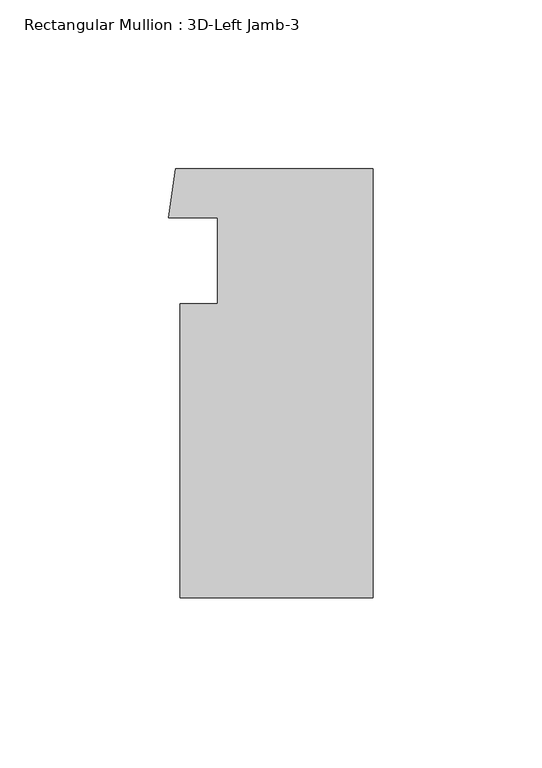
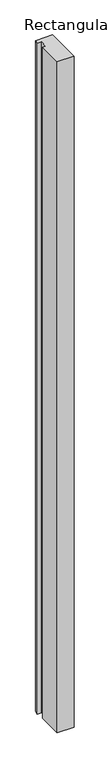
"""IFC4 building model written with IfcOpenShell, lengths in millimetres: member geometry, Rectangular Mullion : 3D-Left Jamb-3."""

import ifcopenshell
import ifcopenshell.guid

model = None  # the IFC model being written
_history = None  # IfcOwnerHistory: only IFC2X3 demands one
_inside = {}  # id of a spatial element -> (the spatial element, [elements in it])
_under = {}  # id of a project, library or spatial element -> (it, [spatial elements below it])
_declared = {}  # id of a project -> (the project, [libraries it declares])
_typed = {}  # id of a type object -> (the type object, [elements of that type])
_made_of = {}  # id of a material, layer set ... -> (it, [elements and type objects made of it])


def new_model(schema):
    """Start an empty IFC model of exactly this schema.

    Asked for "IFC4X3", IfcOpenShell would pick the latest addendum, in which some entities
    have other attributes; the version numbers below select the first issue.
    IFC2X3 requires an IfcOwnerHistory on every rooted entity: one is made here for all.
    """
    global model, _history
    if schema == "IFC4X3":
        model = ifcopenshell.file(schema_version=(4, 3, 0, 0))
    else:
        model = ifcopenshell.file(schema=schema)
    _inside.clear()
    _under.clear()
    _declared.clear()
    _typed.clear()
    _made_of.clear()
    _history = None
    if model.schema == "IFC2X3":
        org = make("IfcOrganization", Name="unknown")
        user = make(
            "IfcPersonAndOrganization",
            ThePerson=make("IfcPerson", FamilyName="unknown"),
            TheOrganization=org,
        )
        app = make(
            "IfcApplication",
            ApplicationDeveloper=org,
            Version="unknown",
            ApplicationFullName="unknown",
            ApplicationIdentifier="unknown",
        )
        _history = make(
            "IfcOwnerHistory",
            OwningUser=user,
            OwningApplication=app,
            ChangeAction="ADDED",
            CreationDate=0,
        )
    return model


def make(cls, **values):
    """One entity of the class cls with the attributes given. An attribute that is None is left unset."""
    return model.create_entity(
        cls, **{name: value for name, value in values.items() if value is not None}
    )


def rooted(cls, **values):
    """An entity with a GlobalId (a new one), such as an element, a storey or a relation."""
    return make(cls, GlobalId=ifcopenshell.guid.new(), OwnerHistory=_history, **values)


def si_unit(unit_type, name, prefix=None):
    """IfcSIUnit, for example si_unit("LENGTHUNIT", "METRE", prefix="MILLI")."""
    return make("IfcSIUnit", UnitType=unit_type, Prefix=prefix, Name=name)


def assignment(units):
    """IfcUnitAssignment: the units of a project."""
    return None if units is None else make("IfcUnitAssignment", Units=units)


def point(xyz):
    """IfcCartesianPoint."""
    return None if xyz is None else make("IfcCartesianPoint", Coordinates=xyz)


def direction(xyz):
    """IfcDirection."""
    return None if xyz is None else make("IfcDirection", DirectionRatios=xyz)


def frame(location, z_axis=None, x_axis=None):
    """IfcAxis2Placement3D, a coordinate frame: its origin and axes. An axis left out is left unset."""
    return make(
        "IfcAxis2Placement3D",
        Location=point(location),
        Axis=direction(z_axis),
        RefDirection=direction(x_axis),
    )


def origin():
    """The frame at (0, 0, 0) with its axes left unset."""
    return frame((0.0, 0.0, 0.0))


def place(relative_to, where):
    """IfcLocalPlacement: puts the frame where relative to a parent placement (None: the world)."""
    return make(
        "IfcLocalPlacement", PlacementRelTo=relative_to, RelativePlacement=where
    )


def context(
    kind, dimensions, precision=None, world=None, true_north=None, identifier=None
):
    """IfcGeometricRepresentationContext, for example the 3D "Model" context."""
    return make(
        "IfcGeometricRepresentationContext",
        ContextIdentifier=identifier,
        ContextType=kind,
        CoordinateSpaceDimension=dimensions,
        Precision=precision,
        WorldCoordinateSystem=world,
        TrueNorth=true_north,
    )


def project(units=None, contexts=None):
    """IfcProject with its units and contexts."""
    return rooted(
        "IfcProject",
        Name="project",
        RepresentationContexts=contexts,
        UnitsInContext=assignment(units),
    )


def spatial(cls, under=None, at=None, **own):
    """A site, building, storey or space (cls), placed at a placement, below another one or the project."""
    s = rooted(cls, ObjectPlacement=at, **own)
    if under is not None:
        _under.setdefault(under.id(), (under, []))[1].append(s)
    return s


def polyline(points):
    """IfcPolyline through the points."""
    return make("IfcPolyline", Points=[point(p) for p in points])


def outline(outer, holes=None, kind="AREA"):
    """IfcArbitraryClosedProfileDef: a profile drawn as a closed curve; with holes, ...WithVoids."""
    if holes is None:
        return make("IfcArbitraryClosedProfileDef", ProfileType=kind, OuterCurve=outer)
    return make(
        "IfcArbitraryProfileDefWithVoids",
        ProfileType=kind,
        OuterCurve=outer,
        InnerCurves=holes,
    )


def extrude(swept, where, along, depth):
    """IfcExtrudedAreaSolid: the profile swept, set in the frame where, extruded along a direction by depth."""
    return make(
        "IfcExtrudedAreaSolid",
        SweptArea=swept,
        Position=where,
        ExtrudedDirection=direction(along),
        Depth=depth,
    )


def shape(context_of_items, identifier, shape_type, items):
    """IfcShapeRepresentation: the items that make up one representation, for example the "Body"."""
    return make(
        "IfcShapeRepresentation",
        ContextOfItems=context_of_items,
        RepresentationIdentifier=identifier,
        RepresentationType=shape_type,
        Items=items,
    )


def source(mapping_origin, context_of_items, identifier, shape_type, items):
    """IfcRepresentationMap: a shape defined once, which mapped items show again and again."""
    return make(
        "IfcRepresentationMap",
        MappingOrigin=mapping_origin,
        MappedRepresentation=shape(context_of_items, identifier, shape_type, items),
    )


def transform(
    local_origin,
    x_axis=None,
    y_axis=None,
    z_axis=None,
    scale=None,
    scale2=None,
    scale3=None,
    uniform=True,
):
    """IfcCartesianTransformationOperator3D, or its non-uniform kind. x_axis, y_axis, z_axis: its Axis1, 2, 3."""
    if uniform:
        return make(
            "IfcCartesianTransformationOperator3D",
            Axis1=direction(x_axis),
            Axis2=direction(y_axis),
            LocalOrigin=point(local_origin),
            Scale=scale,
            Axis3=direction(z_axis),
        )
    return make(
        "IfcCartesianTransformationOperator3DnonUniform",
        Axis1=direction(x_axis),
        Axis2=direction(y_axis),
        LocalOrigin=point(local_origin),
        Scale=scale,
        Axis3=direction(z_axis),
        Scale2=scale2,
        Scale3=scale3,
    )


def mapped(mapping_source, mapping_target):
    """IfcMappedItem: shows the shape of a source again, moved by a transform."""
    return make(
        "IfcMappedItem", MappingSource=mapping_source, MappingTarget=mapping_target
    )


def made_of(thing, what):
    """Note that an element or type object is made of a material, layer set ...; save() writes the relation."""
    if what is not None:
        _made_of.setdefault(what.id(), (what, []))[1].append(thing)
    return thing


def element(
    cls,
    number,
    at=None,
    inside=None,
    cuts=None,
    type_object=None,
    material=None,
    context=None,
    identifier="Body",
    shape_type=None,
    held_by="IfcProductDefinitionShape",
    body=None,
    shapes=None,
    **own,
):
    """One element of the class cls, such as IfcWall. Its Tag is "e" and its number.

    at: its placement. inside: the storey or other place that contains it. cuts: it is an
    opening in that element (IfcRelVoidsElement). A single representation is given by context,
    identifier, shape_type and body (its items); several are given by shapes. held_by: the class
    of the entity that holds the representations. save() writes the other relations.
    """
    e = rooted(cls, Tag="e%d" % number, ObjectPlacement=at, **own)
    if body is not None:
        shapes = [shape(context, identifier, shape_type, body)]
    if shapes is not None:
        e.Representation = make(held_by, Representations=shapes)
    if inside is not None:
        _inside.setdefault(inside.id(), (inside, []))[1].append(e)
    if cuts is not None:
        rooted(
            "IfcRelVoidsElement", RelatingBuildingElement=cuts, RelatedOpeningElement=e
        )
    if type_object is not None:
        _typed.setdefault(type_object.id(), (type_object, []))[1].append(e)
    return made_of(e, material)


def aggregate(whole, parts):
    """IfcRelAggregates: a whole, such as a stair, and the parts it consists of."""
    return rooted("IfcRelAggregates", RelatingObject=whole, RelatedObjects=parts)


def save(model, path):
    """Write the relations noted so far, then the file.

    IfcRelAggregates (storeys below a building ...), IfcRelContainedInSpatialStructure (elements
    in a storey), IfcRelDefinesByType, IfcRelAssociatesMaterial and IfcRelDeclares: one each for
    every whole, place, type object, material and project.
    """
    for whole, parts in _under.values():
        aggregate(whole, parts)
    for where, things in _inside.values():
        rooted(
            "IfcRelContainedInSpatialStructure",
            RelatedElements=things,
            RelatingStructure=where,
        )
    for kind, things in _typed.values():
        rooted("IfcRelDefinesByType", RelatedObjects=things, RelatingType=kind)
    for what, things in _made_of.values():
        rooted("IfcRelAssociatesMaterial", RelatedObjects=things, RelatingMaterial=what)
    for by, libraries in _declared.values():
        rooted("IfcRelDeclares", RelatingContext=by, RelatedDefinitions=libraries)
    model.write(path)


def rectangular_mullion_3d_left_jamb_3_fba1c93c(model_context):
    return source(origin(), model_context, "Body", "SweptSolid", [
        extrude(outline(polyline([(-57.15, 14.071475), (-46.0375, 14.071475), (-46.0375, 39.4333036), (-60.5514101, 39.4333036), (-58.4903823, 53.975), (0.0, 53.975), (0.0, -73.025), (-57.15, -73.025), (-57.15, 14.071475)])), frame((0.0, 0.0, -2408.73286), z_axis=(0.0, 0.0, 1.0), x_axis=(1.0, 0.0, 0.0)), (0.0, 0.0, 1.0), 2408.73286),
    ])


if __name__ == "__main__":
    model = new_model("IFC4")
    model_context = context("Model", 3, world=origin())
    ifc_project = project(units=[si_unit("LENGTHUNIT", "METRE", prefix="MILLI")], contexts=[model_context])
    site = spatial("IfcSite", under=ifc_project)
    building = spatial("IfcBuilding", under=site)
    placement = place(None, origin())
    rectangular_mullion_3d_left_jamb_3_shape = rectangular_mullion_3d_left_jamb_3_fba1c93c(model_context)
    element("IfcMember", 1, ObjectType="Rectangular Mullion : 3D-Left Jamb-3", at=placement, inside=building, context=model_context, shape_type="MappedRepresentation", body=[
        mapped(rectangular_mullion_3d_left_jamb_3_shape, transform((0.0, 0.0, 0.0), x_axis=(1.0, 0.0, 0.0), y_axis=(0.0, 1.0, 0.0), z_axis=(0.0, 0.0, 1.0))),
    ])
    save(model, "model.ifc")
